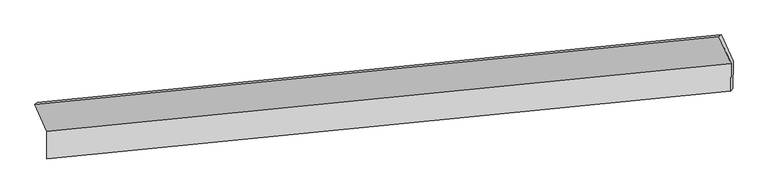
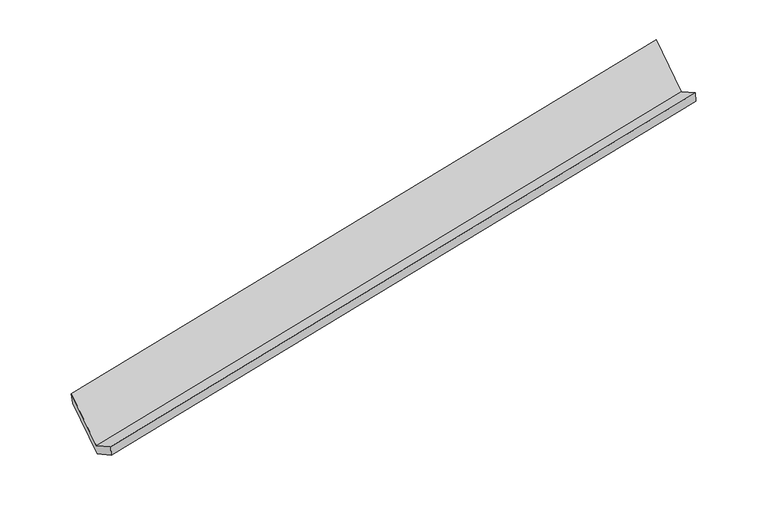
"""IFC4 building model written with IfcOpenShell, lengths in millimetres: proxy geometry."""

from ifc_helpers import new_model, si_unit, origin, place, context, project, spatial, faceted_brep, source, transform, mapped, element, save


def generic_models_aa6a55d5(model_context):
    return source(origin(), model_context, "Body", "Brep", [
        faceted_brep([(-7473.711343, -1978.4892155, 823.6627415), (-7476.7373812, -2356.7472652, 1035.3565515), (1830.4739663, -1432.0281555, 2830.9395699), (1833.5000044, -1053.7701058, 2619.24576), (-7448.3826888, -2321.9230961, 870.9957767), (1858.8286587, -1397.2039863, 2666.5787952), (-7445.4111112, -1950.4726749, 663.1118865), (1861.8002363, -1025.7535651, 2458.6949049), (-7606.2695843, -1589.4090352, 1305.9670758), (1700.9417631, -664.6899254, 3101.5500942), (-7637.2375149, -1611.4376475, 1477.1791285), (1669.9738325, -686.7185377, 3272.762147)], [[[0, 1, 2, 3]], [[1, 4, 5, 2]], [[4, 6, 7, 5]], [[6, 8, 9, 7]], [[8, 10, 11, 9]], [[10, 0, 3, 11]], [[9, 11, 3, 2, 5, 7]], [[0, 10, 8, 6, 4, 1]]]),
    ])


if __name__ == "__main__":
    model = new_model("IFC4")
    model_context = context("Model", 3, world=origin())
    ifc_project = project(units=[si_unit("LENGTHUNIT", "METRE", prefix="MILLI")], contexts=[model_context])
    site = spatial("IfcSite", under=ifc_project)
    building = spatial("IfcBuilding", under=site)
    placement = place(None, origin())
    generic_models_shape = generic_models_aa6a55d5(model_context)
    element("IfcBuildingElementProxy", 1, Name="Generic Models", at=placement, inside=building, context=model_context, shape_type="MappedRepresentation", body=[
        mapped(generic_models_shape, transform((0.0, 0.0, 0.0), x_axis=(1.0, 0.0, 0.0), y_axis=(0.0, 1.0, 0.0), z_axis=(0.0, 0.0, 1.0))),
    ])
    save(model, "model.ifc")
